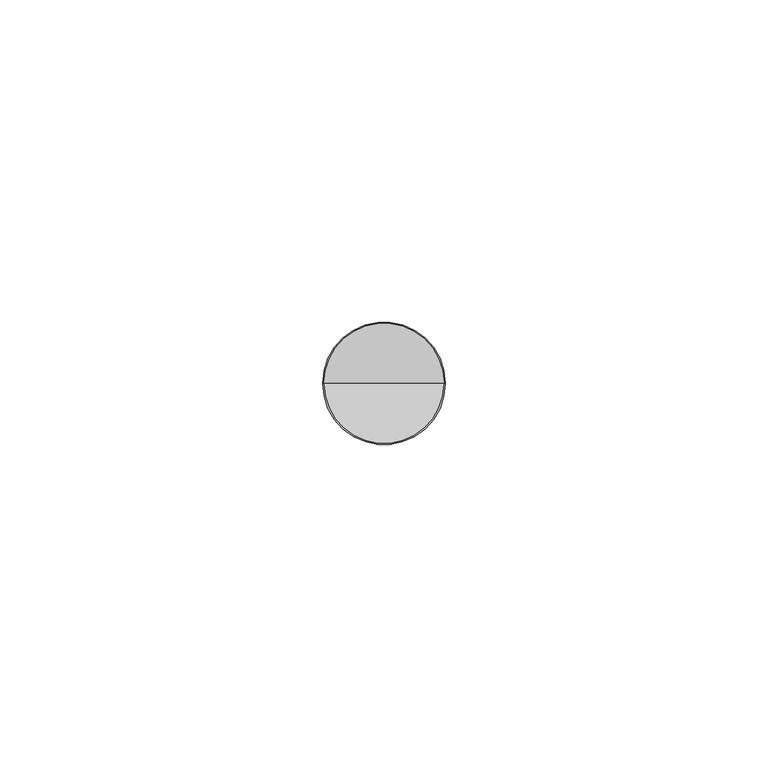
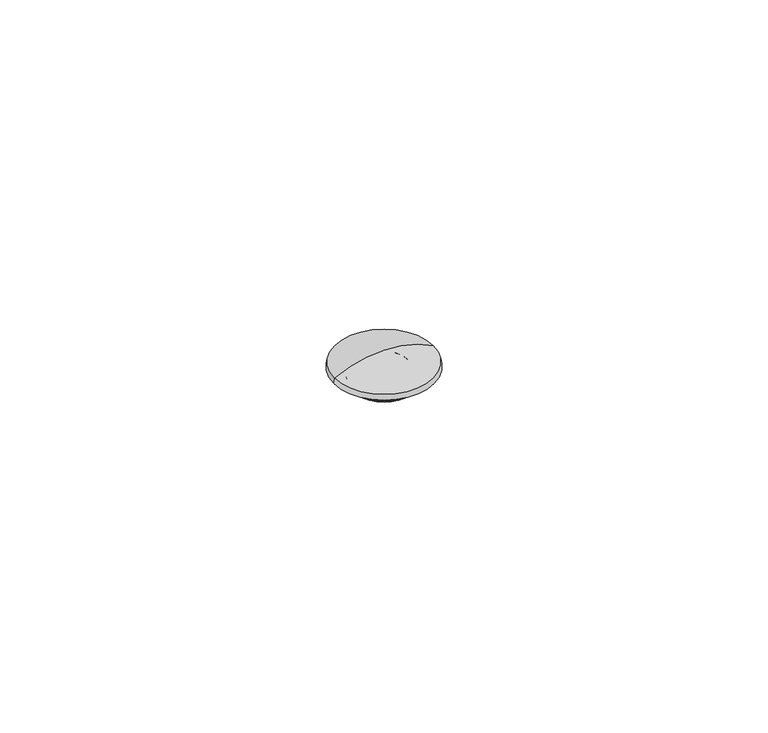
"""IFC4 building model written with IfcOpenShell, lengths in millimetres: proxy geometry."""

from ifc_helpers import new_model, si_unit, point, frame, origin, place, context, project, spatial, polyline, circle_curve, ellipse_curve, trimmed, source, transform, mapped, element, save
from ifc_brep_helpers import plane_surface, cylinder_surface, revolved_surface, advanced_brep


def generic_models_ceb810df(model_context):
    return source(origin(), model_context, "Body", "AdvancedBrep", [
        advanced_brep(
        [(9.5, 0.0, 0.0), (9.323673, 0.0, 1.0), (-9.323673, 0.0, 1.0), (-9.5, 0.0, 0.0), (6.0, 0.0, -0.8), (6.0, 0.0, 0.0), (-6.0, 0.0, 0.0), (-6.0, 0.0, -0.8), (6.0727407, 0.0, -2.5811561), (6.55, 0.0, -0.8), (-6.55, 0.0, -0.8), (-6.0727407, 0.0, -2.5811561), (4.5, 0.0, -2.3741009), (-4.5, 0.0, -2.3741009), (4.5, 0.0, -0.4741009), (-4.5, 0.0, -0.4741009), (3.7, 0.0, 0.3258991), (-3.7, 0.0, 0.3258991), (0.0, 0.0, 3.3258991)],
        [
            (0, 1),
            (1, 2, circle_curve(frame((0.0, 0.0, 1.0), z_axis=(0.0, 0.0, -1.0), x_axis=(-1.0, 0.0, 0.0)), 9.323673)),
            (2, 3),
            (3, 0, circle_curve(frame((0.0, 0.0, 0.0), z_axis=(0.0, 0.0, 1.0), x_axis=(-1.0, 0.0, 0.0)), 9.5)),
            (4, 5),
            (5, 6, circle_curve(frame((0.0, 0.0, 0.0), z_axis=(0.0, 0.0, -1.0), x_axis=(1.0, 0.0, 0.0)), 6.0)),
            (6, 7),
            (7, 4, circle_curve(frame((0.0, 0.0, -0.8), z_axis=(0.0, 0.0, 1.0), x_axis=(1.0, 0.0, 0.0)), 6.0)),
            (8, 9),
            (9, 10, circle_curve(frame((0.0, 0.0, -0.8), z_axis=(0.0, 0.0, -1.0), x_axis=(-1.0, 0.0, 0.0)), 6.55)),
            (10, 11),
            (11, 8, circle_curve(frame((0.0, 0.0, -2.5811561), z_axis=(0.0, 0.0, 1.0), x_axis=(-1.0, 0.0, 0.0)), 6.0727407)),
            (12, 8, circle_curve(frame((5.3, 0.0, -2.3741009), z_axis=(0.0, -1.0, 0.0), x_axis=(1.0, 0.0, 0.0)), 0.8)),
            (11, 13, circle_curve(frame((-5.3, 0.0, -2.3741009), z_axis=(0.0, -1.0, 0.0), x_axis=(-1.0, 0.0, 0.0)), 0.8)),
            (13, 12, circle_curve(frame((0.0, 0.0, -2.3741009), z_axis=(0.0, 0.0, 1.0), x_axis=(-1.0, 0.0, 0.0)), 4.5)),
            (12, 14),
            (14, 15, circle_curve(frame((0.0, 0.0, -0.4741009), z_axis=(0.0, 0.0, 1.0), x_axis=(1.0, 0.0, 0.0)), 4.5)),
            (15, 13),
            (13, 12, circle_curve(frame((0.0, 0.0, -2.3741009), z_axis=(0.0, 0.0, -1.0), x_axis=(1.0, 0.0, 0.0)), 4.5)),
            (14, 16, circle_curve(frame((3.7, 0.0, -0.4741009), z_axis=(0.0, -1.0, 0.0), x_axis=(1.0, 0.0, 0.0)), 0.8)),
            (16, 17, circle_curve(frame((0.0, 0.0, 0.3258991), z_axis=(0.0, 0.0, 1.0), x_axis=(1.0, 0.0, 0.0)), 3.7)),
            (17, 15, circle_curve(frame((-3.7, 0.0, -0.4741009), z_axis=(0.0, -1.0, 0.0), x_axis=(-1.0, 0.0, 0.0)), 0.8)),
            (1, 18, circle_curve(frame((0.0, 0.0, -16.5246361), z_axis=(0.0, -1.0, 0.0), x_axis=(1.0, 0.0, 0.0)), 19.8505352)),
            (18, 2, circle_curve(frame((0.0, 0.0, -16.5246361), z_axis=(0.0, -1.0, 0.0), x_axis=(-1.0, 0.0, 0.0)), 19.8505352)),
            (1, 2, circle_curve(frame((0.0, 0.0, 1.0), z_axis=(0.0, 0.0, 1.0), x_axis=(1.0, 0.0, 0.0)), 9.323673)),
            (16, 17, circle_curve(frame((0.0, 0.0, 0.3258991), z_axis=(0.0, 0.0, -1.0), x_axis=(-1.0, 0.0, 0.0)), 3.7)),
            (14, 15, circle_curve(frame((0.0, 0.0, -0.4741009), z_axis=(0.0, 0.0, -1.0), x_axis=(-1.0, 0.0, 0.0)), 4.5)),
            (11, 8, circle_curve(frame((0.0, 0.0, -2.5811561), z_axis=(0.0, 0.0, -1.0), x_axis=(1.0, 0.0, 0.0)), 6.0727407)),
            (10, 9, circle_curve(frame((0.0, 0.0, -0.8), z_axis=(0.0, 0.0, -1.0), x_axis=(1.0, 0.0, 0.0)), 6.55)),
            (7, 4, circle_curve(frame((0.0, 0.0, -0.8), z_axis=(0.0, 0.0, -1.0), x_axis=(1.0, 0.0, 0.0)), 6.0)),
            (6, 5, circle_curve(frame((0.0, 0.0, 0.0), z_axis=(0.0, 0.0, -1.0), x_axis=(1.0, 0.0, 0.0)), 6.0)),
            (3, 0, circle_curve(frame((0.0, 0.0, 0.0), z_axis=(0.0, 0.0, -1.0), x_axis=(1.0, 0.0, 0.0)), 9.5)),
        ],
        [
            revolved_surface(polyline([(9.323673019336148, 0.0, 1.0), (9.5, 0.0, 0.0)]), (0.0, 0.0, 53.8771773), (0.0, 0.0, -1.0)),
            cylinder_surface(frame((0.0, 0.0, -0.4), z_axis=(0.0, 0.0, 1.0), x_axis=(1.0, 0.0, 0.0)), 6.0),
            revolved_surface(polyline([(6.072740661614746, 0.0, -2.581156100000001), (6.55, 0.0, -0.8000000000000007)]), (0.0, 0.0, -25.2449328), (0.0, 0.0, 1.0)),
            revolved_surface(trimmed(ellipse_curve(frame((-5.3, 0.0, -2.3741009), z_axis=(0.0, 1.0, 0.0), x_axis=(-1.0, 0.0, 0.0)), 0.8, 0.8), [point((-4.5, 0.0, -2.3741009))], [point((-6.0727407, 0.0, -2.5811561))], True, "CARTESIAN"), (0.0, 0.0, -2.3741009), (0.0, 0.0, 1.0)),
            revolved_surface(polyline([(4.5, 0.0, -0.47410090000000005), (4.5, 0.0, -2.3741009)]), (0.0, 0.0, -1.4241009), (0.0, 0.0, 1.0)),
            revolved_surface(trimmed(ellipse_curve(frame((3.7, 0.0, -0.4741009), z_axis=(0.0, 1.0, 0.0), x_axis=(1.0, 0.0, 0.0)), 0.8, 0.8), [point((3.7, 0.0, 0.3258991))], [point((4.5, 0.0, -0.4741009))], True, "CARTESIAN"), (0.0, 0.0, -0.4741009), (0.0, 0.0, 1.0)),
            revolved_surface(trimmed(ellipse_curve(frame((0.0, 0.0, -16.5246361), z_axis=(0.0, 1.0, 0.0), x_axis=(1.0, 0.0, 0.0)), 19.8505352, 19.8505352), [point((0.0, 0.0, 3.3258991))], [point((9.323673, 0.0, 1.0))], True, "CARTESIAN"), (0.0, 0.0, -16.5246361), (0.0, 0.0, -1.0)),
            plane_surface(frame((1.85, 0.0, 0.3258991), z_axis=(0.0, 0.0, -1.0), x_axis=(-1.0, 0.0, 0.0))),
            revolved_surface(trimmed(ellipse_curve(frame((-3.7, 0.0, -0.4741009), z_axis=(0.0, -1.0, 0.0), x_axis=(-1.0, 0.0, 0.0)), 0.8, 0.8), [point((-3.7, 0.0, 0.3258991))], [point((-4.5, 0.0, -0.4741009))], True, "CARTESIAN"), (0.0, 0.0, -0.4741009), (0.0, 0.0, 1.0)),
            revolved_surface(trimmed(ellipse_curve(frame((5.3, 0.0, -2.3741009), z_axis=(0.0, -1.0, 0.0), x_axis=(1.0, 0.0, 0.0)), 0.8, 0.8), [point((4.5, 0.0, -2.3741009))], [point((6.0727407, 0.0, -2.5811561))], True, "CARTESIAN"), (0.0, 0.0, -2.3741009), (0.0, 0.0, 1.0)),
            plane_surface(frame((6.275, 0.0, -0.8), z_axis=(0.0, 0.0, 1.0), x_axis=(1.0, 0.0, 0.0))),
            plane_surface(frame((7.75, 0.0, 0.0), z_axis=(0.0, 0.0, -1.0), x_axis=(-1.0, 0.0, 0.0))),
        ],
        [
            (0, [[1, 2, 3, 4]]),
            (1, [[5, 6, 7, 8]]),
            (2, [[9, 10, 11, 12]]),
            (3, [[13, -12, 14, 15]]),
            (4, [[16, 17, 18, 19]]),
            (5, [[20, 21, 22, -17]]),
            (6, [[23, 24, -2]]),
            (6, [[-23, 25, -24]]),
            (7, [[-21, 26]]),
            (8, [[-20, 27, -22, -26]]),
            (4, [[-16, -15, -18, -27]]),
            (9, [[-13, -19, -14, 28]]),
            (2, [[-9, -28, -11, 29]]),
            (10, [[-29, -10], [30, -8]]),
            (1, [[-5, -30, -7, 31]]),
            (11, [[32, -4], [-31, -6]]),
            (0, [[-1, -32, -3, -25]]),
        ],
    ),
    ])


if __name__ == "__main__":
    model = new_model("IFC4")
    model_context = context("Model", 3, world=origin())
    ifc_project = project(units=[si_unit("LENGTHUNIT", "METRE", prefix="MILLI")], contexts=[model_context])
    site = spatial("IfcSite", under=ifc_project)
    building = spatial("IfcBuilding", under=site)
    placement = place(None, origin())
    generic_models_shape = generic_models_ceb810df(model_context)
    element("IfcBuildingElementProxy", 1, Name="Generic Models", at=placement, inside=building, context=model_context, shape_type="MappedRepresentation", body=[
        mapped(generic_models_shape, transform((0.0, 0.0, 0.0), x_axis=(1.0, 0.0, 0.0), y_axis=(0.0, 1.0, 0.0), z_axis=(0.0, 0.0, 1.0))),
    ])
    save(model, "model.ifc")
